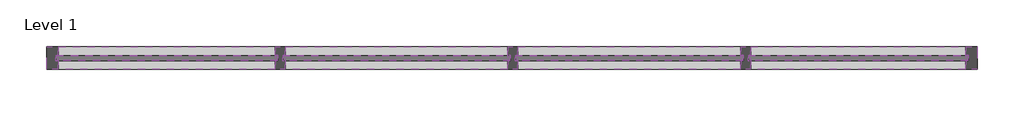
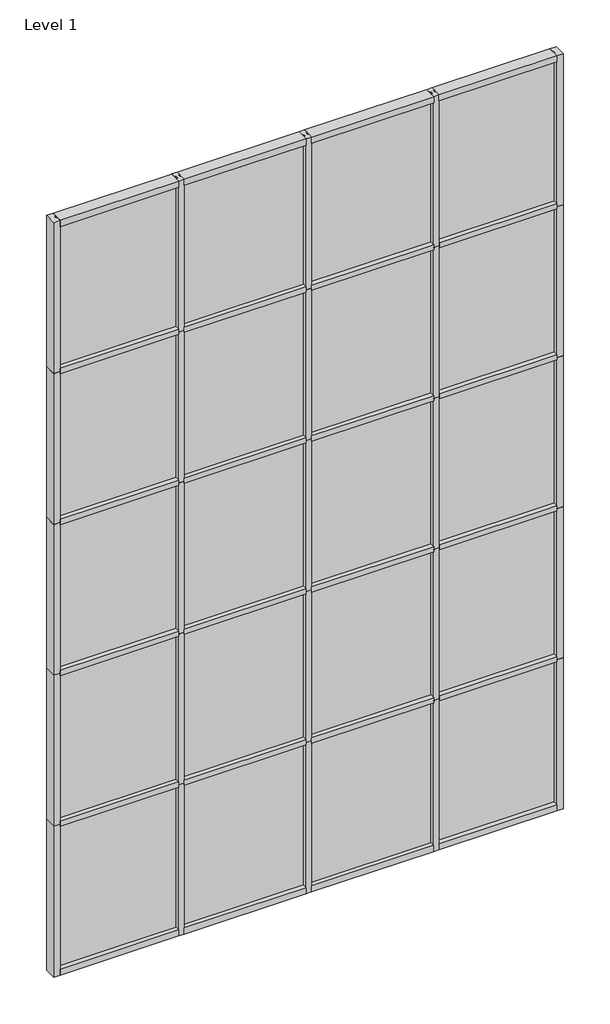
# One storey: 49 members, 20 plates.
"""IFC4 building model written with IfcOpenShell, lengths in millimetres."""

import ifcopenshell
import ifcopenshell.guid

model = None  # the IFC model being written
_history = None  # IfcOwnerHistory: only IFC2X3 demands one
_inside = {}  # id of a spatial element -> (the spatial element, [elements in it])
_under = {}  # id of a project, library or spatial element -> (it, [spatial elements below it])
_declared = {}  # id of a project -> (the project, [libraries it declares])
_typed = {}  # id of a type object -> (the type object, [elements of that type])
_made_of = {}  # id of a material, layer set ... -> (it, [elements and type objects made of it])


def new_model(schema):
    """Start an empty IFC model of exactly this schema.

    Asked for "IFC4X3", IfcOpenShell would pick the latest addendum, in which some entities
    have other attributes; the version numbers below select the first issue.
    IFC2X3 requires an IfcOwnerHistory on every rooted entity: one is made here for all.
    """
    global model, _history
    if schema == "IFC4X3":
        model = ifcopenshell.file(schema_version=(4, 3, 0, 0))
    else:
        model = ifcopenshell.file(schema=schema)
    _inside.clear()
    _under.clear()
    _declared.clear()
    _typed.clear()
    _made_of.clear()
    _history = None
    if model.schema == "IFC2X3":
        org = make("IfcOrganization", Name="unknown")
        user = make(
            "IfcPersonAndOrganization",
            ThePerson=make("IfcPerson", FamilyName="unknown"),
            TheOrganization=org,
        )
        app = make(
            "IfcApplication",
            ApplicationDeveloper=org,
            Version="unknown",
            ApplicationFullName="unknown",
            ApplicationIdentifier="unknown",
        )
        _history = make(
            "IfcOwnerHistory",
            OwningUser=user,
            OwningApplication=app,
            ChangeAction="ADDED",
            CreationDate=0,
        )
    return model


def make(cls, **values):
    """One entity of the class cls with the attributes given. An attribute that is None is left unset."""
    return model.create_entity(
        cls, **{name: value for name, value in values.items() if value is not None}
    )


def rooted(cls, **values):
    """An entity with a GlobalId (a new one), such as an element, a storey or a relation."""
    return make(cls, GlobalId=ifcopenshell.guid.new(), OwnerHistory=_history, **values)


def si_unit(unit_type, name, prefix=None):
    """IfcSIUnit, for example si_unit("LENGTHUNIT", "METRE", prefix="MILLI")."""
    return make("IfcSIUnit", UnitType=unit_type, Prefix=prefix, Name=name)


def assignment(units):
    """IfcUnitAssignment: the units of a project."""
    return None if units is None else make("IfcUnitAssignment", Units=units)


def point(xyz):
    """IfcCartesianPoint."""
    return None if xyz is None else make("IfcCartesianPoint", Coordinates=xyz)


def direction(xyz):
    """IfcDirection."""
    return None if xyz is None else make("IfcDirection", DirectionRatios=xyz)


def frame(location, z_axis=None, x_axis=None):
    """IfcAxis2Placement3D, a coordinate frame: its origin and axes. An axis left out is left unset."""
    return make(
        "IfcAxis2Placement3D",
        Location=point(location),
        Axis=direction(z_axis),
        RefDirection=direction(x_axis),
    )


def origin():
    """The frame at (0, 0, 0) with its axes left unset."""
    return frame((0.0, 0.0, 0.0))


def origin_with_axes():
    """The frame at (0, 0, 0) with the z axis (0, 0, 1) and the x axis (1, 0, 0) written out."""
    return frame((0.0, 0.0, 0.0), z_axis=(0.0, 0.0, 1.0), x_axis=(1.0, 0.0, 0.0))


def place(relative_to, where):
    """IfcLocalPlacement: puts the frame where relative to a parent placement (None: the world)."""
    return make(
        "IfcLocalPlacement", PlacementRelTo=relative_to, RelativePlacement=where
    )


def context(
    kind, dimensions, precision=None, world=None, true_north=None, identifier=None
):
    """IfcGeometricRepresentationContext, for example the 3D "Model" context."""
    return make(
        "IfcGeometricRepresentationContext",
        ContextIdentifier=identifier,
        ContextType=kind,
        CoordinateSpaceDimension=dimensions,
        Precision=precision,
        WorldCoordinateSystem=world,
        TrueNorth=true_north,
    )


def project(units=None, contexts=None):
    """IfcProject with its units and contexts."""
    return rooted(
        "IfcProject",
        Name="project",
        RepresentationContexts=contexts,
        UnitsInContext=assignment(units),
    )


def spatial(cls, under=None, at=None, **own):
    """A site, building, storey or space (cls), placed at a placement, below another one or the project."""
    s = rooted(cls, ObjectPlacement=at, **own)
    if under is not None:
        _under.setdefault(under.id(), (under, []))[1].append(s)
    return s


def polyline(points):
    """IfcPolyline through the points."""
    return make("IfcPolyline", Points=[point(p) for p in points])


def outline(outer, holes=None, kind="AREA"):
    """IfcArbitraryClosedProfileDef: a profile drawn as a closed curve; with holes, ...WithVoids."""
    if holes is None:
        return make("IfcArbitraryClosedProfileDef", ProfileType=kind, OuterCurve=outer)
    return make(
        "IfcArbitraryProfileDefWithVoids",
        ProfileType=kind,
        OuterCurve=outer,
        InnerCurves=holes,
    )


def extrude(swept, where, along, depth):
    """IfcExtrudedAreaSolid: the profile swept, set in the frame where, extruded along a direction by depth."""
    return make(
        "IfcExtrudedAreaSolid",
        SweptArea=swept,
        Position=where,
        ExtrudedDirection=direction(along),
        Depth=depth,
    )


def shape(context_of_items, identifier, shape_type, items):
    """IfcShapeRepresentation: the items that make up one representation, for example the "Body"."""
    return make(
        "IfcShapeRepresentation",
        ContextOfItems=context_of_items,
        RepresentationIdentifier=identifier,
        RepresentationType=shape_type,
        Items=items,
    )


def source(mapping_origin, context_of_items, identifier, shape_type, items):
    """IfcRepresentationMap: a shape defined once, which mapped items show again and again."""
    return make(
        "IfcRepresentationMap",
        MappingOrigin=mapping_origin,
        MappedRepresentation=shape(context_of_items, identifier, shape_type, items),
    )


def transform(
    local_origin,
    x_axis=None,
    y_axis=None,
    z_axis=None,
    scale=None,
    scale2=None,
    scale3=None,
    uniform=True,
):
    """IfcCartesianTransformationOperator3D, or its non-uniform kind. x_axis, y_axis, z_axis: its Axis1, 2, 3."""
    if uniform:
        return make(
            "IfcCartesianTransformationOperator3D",
            Axis1=direction(x_axis),
            Axis2=direction(y_axis),
            LocalOrigin=point(local_origin),
            Scale=scale,
            Axis3=direction(z_axis),
        )
    return make(
        "IfcCartesianTransformationOperator3DnonUniform",
        Axis1=direction(x_axis),
        Axis2=direction(y_axis),
        LocalOrigin=point(local_origin),
        Scale=scale,
        Axis3=direction(z_axis),
        Scale2=scale2,
        Scale3=scale3,
    )


def mapped(mapping_source, mapping_target):
    """IfcMappedItem: shows the shape of a source again, moved by a transform."""
    return make(
        "IfcMappedItem", MappingSource=mapping_source, MappingTarget=mapping_target
    )


def made_of(thing, what):
    """Note that an element or type object is made of a material, layer set ...; save() writes the relation."""
    if what is not None:
        _made_of.setdefault(what.id(), (what, []))[1].append(thing)
    return thing


def element(
    cls,
    number,
    at=None,
    inside=None,
    cuts=None,
    type_object=None,
    material=None,
    context=None,
    identifier="Body",
    shape_type=None,
    held_by="IfcProductDefinitionShape",
    body=None,
    shapes=None,
    **own,
):
    """One element of the class cls, such as IfcWall. Its Tag is "e" and its number.

    at: its placement. inside: the storey or other place that contains it. cuts: it is an
    opening in that element (IfcRelVoidsElement). A single representation is given by context,
    identifier, shape_type and body (its items); several are given by shapes. held_by: the class
    of the entity that holds the representations. save() writes the other relations.
    """
    e = rooted(cls, Tag="e%d" % number, ObjectPlacement=at, **own)
    if body is not None:
        shapes = [shape(context, identifier, shape_type, body)]
    if shapes is not None:
        e.Representation = make(held_by, Representations=shapes)
    if inside is not None:
        _inside.setdefault(inside.id(), (inside, []))[1].append(e)
    if cuts is not None:
        rooted(
            "IfcRelVoidsElement", RelatingBuildingElement=cuts, RelatedOpeningElement=e
        )
    if type_object is not None:
        _typed.setdefault(type_object.id(), (type_object, []))[1].append(e)
    return made_of(e, material)


def aggregate(whole, parts):
    """IfcRelAggregates: a whole, such as a stair, and the parts it consists of."""
    return rooted("IfcRelAggregates", RelatingObject=whole, RelatedObjects=parts)


def save(model, path):
    """Write the relations noted so far, then the file.

    IfcRelAggregates (storeys below a building ...), IfcRelContainedInSpatialStructure (elements
    in a storey), IfcRelDefinesByType, IfcRelAssociatesMaterial and IfcRelDeclares: one each for
    every whole, place, type object, material and project.
    """
    for whole, parts in _under.values():
        aggregate(whole, parts)
    for where, things in _inside.values():
        rooted(
            "IfcRelContainedInSpatialStructure",
            RelatedElements=things,
            RelatingStructure=where,
        )
    for kind, things in _typed.values():
        rooted("IfcRelDefinesByType", RelatedObjects=things, RelatingType=kind)
    for what, things in _made_of.values():
        rooted("IfcRelAssociatesMaterial", RelatedObjects=things, RelatingMaterial=what)
    for by, libraries in _declared.values():
        rooted("IfcRelDeclares", RelatingContext=by, RelatedDefinitions=libraries)
    model.write(path)


def rectangular_mullion_659be822(model_context):
    return source(origin(), model_context, "Body", "SweptSolid", [
        extrude(outline(polyline([(29.7344027, 57.15), (29.7344027, 12.7), (17.0326322, 12.7), (17.0326322, -12.7), (29.7344027, -12.7), (29.7344027, -57.15), (-21.0655973, -57.15), (-21.0655973, -12.7), (-8.3655973, -12.7), (-8.3655973, 12.7), (-21.0655973, 12.7), (-21.0655973, 57.15), (29.7344027, 57.15)])), frame((0.0, 0.0, -1478.28), z_axis=(0.0, 0.0, 1.0), x_axis=(1.0, 0.0, 0.0)), (0.0, 0.0, 1.0), 1478.28),
    ])


def rectangular_mullion_2065b168(model_context):
    return source(origin(), model_context, "Body", "SweptSolid", [
        extrude(outline(polyline([(-60.325, 57.15), (0.0, 57.15), (0.0, -57.15), (-60.325, -57.15), (-60.325, -12.7), (-47.6232296, -12.7), (-47.6232296, 12.7), (-60.325, 12.7), (-60.325, 57.15)])), frame((0.0, 0.0, -1478.28), z_axis=(0.0, 0.0, 1.0), x_axis=(1.0, 0.0, 0.0)), (0.0, 0.0, 1.0), 1478.28),
    ])


def rectangular_mullion_558d0196(model_context):
    return source(origin(), model_context, "Body", "SweptSolid", [
        extrude(outline(polyline([(-60.325, 57.15), (0.0, 57.15), (0.0, -57.15), (-60.325, -57.15), (-60.325, -12.7), (-41.275, -12.7), (-41.275, 12.7), (-60.325, 12.7), (-60.325, 57.15)])), frame((0.0, 0.0, -1130.3), z_axis=(0.0, 0.0, 1.0), x_axis=(1.0, 0.0, 0.0)), (0.0, 0.0, 1.0), 1130.3),
    ])


def rectangular_mullion_32929700(model_context):
    return source(origin(), model_context, "Body", "SweptSolid", [
        extrude(outline(polyline([(29.7344027, 57.6460938), (29.7344027, 12.7), (17.0326322, 12.7), (17.0326322, -12.7), (29.7344027, -12.7), (29.7344027, -56.6539062), (-21.0655973, -56.6539062), (-21.0655973, -12.7), (-8.3655973, -12.7), (-8.3655973, 12.7), (-21.0655973, 12.7), (-21.0655973, 57.6460938), (29.7344027, 57.6460938)])), frame((0.0, 0.0, -1130.3), z_axis=(0.0, 0.0, 1.0), x_axis=(1.0, 0.0, 0.0)), (0.0, 0.0, 1.0), 1130.3),
    ])


def rectangular_mullion_49db9d86(model_context):
    return source(origin(), model_context, "Body", "SweptSolid", [
        extrude(outline(polyline([(-60.325, 57.546875), (0.0, 57.546875), (0.0, -56.753125), (-60.325, -56.753125), (-60.325, -12.7), (-47.6232296, -12.7), (-47.6232296, 12.7), (-60.325, 12.7), (-60.325, 57.546875)])), frame((0.0, 0.0, -1130.3), z_axis=(0.0, 0.0, 1.0), x_axis=(1.0, 0.0, 0.0)), (0.0, 0.0, 1.0), 1130.3),
    ])


def rectangular_mullion_8e935ad6(model_context):
    return source(origin(), model_context, "Body", "SweptSolid", [
        extrude(outline(polyline([(-60.325, 57.546875), (0.0, 57.546875), (0.0, -56.753125), (-60.325, -56.753125), (-60.325, -12.7), (-47.6232296, -12.7), (-47.6232296, 12.7), (-60.325, 12.7), (-60.325, 57.546875)])), frame((0.0, 0.0, -1091.0405973), z_axis=(0.0, 0.0, 1.0), x_axis=(1.0, 0.0, 0.0)), (0.0, 0.0, 1.0), 1091.0405973),
    ])


def rectangular_mullion_e41775dd(model_context):
    return source(origin(), model_context, "Body", "SweptSolid", [
        extrude(outline(polyline([(-60.325, 57.15), (0.0, 57.15), (0.0, -57.15), (-60.325, -57.15), (-60.325, -12.7), (-41.275, -12.7), (-41.275, 12.7), (-60.325, 12.7), (-60.325, 57.15)])), frame((0.0, 0.0, -1091.0405973), z_axis=(0.0, 0.0, 1.0), x_axis=(1.0, 0.0, 0.0)), (0.0, 0.0, 1.0), 1091.0405973),
    ])


def rectangular_mullion_0331761f(model_context):
    return source(origin(), model_context, "Body", "SweptSolid", [
        extrude(outline(polyline([(29.7344027, 57.6460938), (29.7344027, 12.7), (17.0326322, 12.7), (17.0326322, -12.7), (29.7344027, -12.7), (29.7344027, -56.6539062), (-21.0655973, -56.6539062), (-21.0655973, -12.7), (-8.3655973, -12.7), (-8.3655973, 12.7), (-21.0655973, 12.7), (-21.0655973, 57.6460938), (29.7344027, 57.6460938)])), frame((0.0, 0.0, -1091.0405973), z_axis=(0.0, 0.0, 1.0), x_axis=(1.0, 0.0, 0.0)), (0.0, 0.0, 1.0), 1091.0405973),
    ])


def rectangular_mullion_9737b8d0(model_context):
    return source(origin(), model_context, "Body", "SweptSolid", [
        extrude(outline(polyline([(-60.325, 57.546875), (0.0, 57.546875), (0.0, -56.753125), (-60.325, -56.753125), (-60.325, -12.7), (-47.6232296, -12.7), (-47.6232296, 12.7), (-60.325, 12.7), (-60.325, 57.546875)])), frame((0.0, 0.0, -1099.7094027), z_axis=(0.0, 0.0, 1.0), x_axis=(1.0, 0.0, 0.0)), (0.0, 0.0, 1.0), 1099.7094027),
    ])


def rectangular_mullion_03764e8c(model_context):
    return source(origin(), model_context, "Body", "SweptSolid", [
        extrude(outline(polyline([(-60.325, 57.15), (0.0, 57.15), (0.0, -57.15), (-60.325, -57.15), (-60.325, -12.7), (-41.275, -12.7), (-41.275, 12.7), (-60.325, 12.7), (-60.325, 57.15)])), frame((0.0, 0.0, -1099.7094027), z_axis=(0.0, 0.0, 1.0), x_axis=(1.0, 0.0, 0.0)), (0.0, 0.0, 1.0), 1099.7094027),
    ])


def rectangular_mullion_38739092(model_context):
    return source(origin(), model_context, "Body", "SweptSolid", [
        extrude(outline(polyline([(29.7344027, 57.6460938), (29.7344027, 12.7), (17.0326322, 12.7), (17.0326322, -12.7), (29.7344027, -12.7), (29.7344027, -56.6539062), (-21.0655973, -56.6539062), (-21.0655973, -12.7), (-8.3655973, -12.7), (-8.3655973, 12.7), (-21.0655973, 12.7), (-21.0655973, 57.6460938), (29.7344027, 57.6460938)])), frame((0.0, 0.0, -1099.7094027), z_axis=(0.0, 0.0, 1.0), x_axis=(1.0, 0.0, 0.0)), (0.0, 0.0, 1.0), 1099.7094027),
    ])


def plate_1763b2c5(model_context):
    return source(origin(), model_context, "Body", "SweptSolid", [
        extrude(outline(polyline([(577.8508852, -12.7), (-577.8508852, -12.7), (-577.8508852, 12.7), (577.8508852, 12.7), (577.8508852, -12.7)])), origin_with_axes(), (0.0, 0.0, 1.0), 1452.8817704),
    ])


def plate_e52fc93d(model_context):
    return source(origin(), model_context, "Body", "SweptSolid", [
        extrude(outline(polyline([(558.2220691, -12.7), (-558.2220691, -12.7), (-558.2220691, 12.7), (558.2220691, 12.7), (558.2220691, -12.7)])), origin_with_axes(), (0.0, 0.0, 1.0), 1452.8817704),
    ])


def plate_d3c65a02(model_context):
    return source(origin(), model_context, "Body", "SweptSolid", [
        extrude(outline(polyline([(562.5555865, -12.7), (-562.5555865, -12.7), (-562.5555865, 12.7), (562.5555865, 12.7), (562.5555865, -12.7)])), origin_with_axes(), (0.0, 0.0, 1.0), 1452.8817704),
    ])


def plate_3c9ce6c8(model_context):
    return source(origin(), model_context, "Body", "SweptSolid", [
        extrude(outline(polyline([(562.5555865, -12.7), (-562.5555865, -12.7), (-562.5555865, 12.7), (562.5555865, 12.7), (562.5555865, -12.7)])), origin_with_axes(), (0.0, 0.0, 1.0), 1413.6241382),
    ])


def plate_c60d8af6(model_context):
    return source(origin(), model_context, "Body", "SweptSolid", [
        extrude(outline(polyline([(577.8508852, -12.7), (-577.8508852, -12.7), (-577.8508852, 12.7), (577.8508852, 12.7), (577.8508852, -12.7)])), origin_with_axes(), (0.0, 0.0, 1.0), 1413.6241382),
    ])


def plate_8eeeacd3(model_context):
    return source(origin(), model_context, "Body", "SweptSolid", [
        extrude(outline(polyline([(558.2220691, -12.7), (-558.2220691, -12.7), (-558.2220691, 12.7), (558.2220691, 12.7), (558.2220691, -12.7)])), origin_with_axes(), (0.0, 0.0, 1.0), 1413.6241382),
    ])


def plate_ba38b3fa(model_context):
    return source(origin(), model_context, "Body", "SweptSolid", [
        extrude(outline(polyline([(562.5555865, -12.7), (-562.5555865, -12.7), (-562.5555865, 12.7), (562.5555865, 12.7), (562.5555865, -12.7)])), origin_with_axes(), (0.0, 0.0, 1.0), 1428.6394027),
    ])


def plate_6bd5928b(model_context):
    return source(origin(), model_context, "Body", "SweptSolid", [
        extrude(outline(polyline([(577.8508852, -12.7), (-577.8508852, -12.7), (-577.8508852, 12.7), (577.8508852, 12.7), (577.8508852, -12.7)])), origin_with_axes(), (0.0, 0.0, 1.0), 1428.6394027),
    ])


def plate_b905328e(model_context):
    return source(origin(), model_context, "Body", "SweptSolid", [
        extrude(outline(polyline([(558.2220691, -12.7), (-558.2220691, -12.7), (-558.2220691, 12.7), (558.2220691, 12.7), (558.2220691, -12.7)])), origin_with_axes(), (0.0, 0.0, 1.0), 1428.6394027),
    ])


model = new_model("IFC4")

# Units and contexts
model_context = context("Model", 3, world=origin())
ifc_project = project(units=[si_unit("LENGTHUNIT", "METRE", prefix="MILLI")], contexts=[model_context])

# Site, building, storey
site = spatial("IfcSite", under=ifc_project)
building = spatial("IfcBuilding", under=site)
storey = spatial("IfcBuildingStorey", under=building, Name="Level 1", Elevation=0.0)

# Members
placement = place(None, origin())
rectangular_mullion_shape = rectangular_mullion_659be822(model_context)
element("IfcMember", 1, ObjectType="Rectangular Mullion", at=placement, inside=storey, context=model_context, shape_type="MappedRepresentation", body=[
    mapped(rectangular_mullion_shape, transform((4622.0882675, 4173.5366393, 0.0), x_axis=(1.0, 0.0, 0.0), y_axis=(0.0, -1.0, 0.0), z_axis=(0.0, 0.0, -1.0))),
])
element("IfcMember", 2, ObjectType="Rectangular Mullion", at=placement, inside=storey, context=model_context, shape_type="MappedRepresentation", body=[
    mapped(rectangular_mullion_shape, transform((5803.1882675, 4173.5366393, 0.0), x_axis=(1.0, 0.0, 0.0), y_axis=(0.0, -1.0, 0.0), z_axis=(0.0, 0.0, -1.0))),
])
element("IfcMember", 3, ObjectType="Rectangular Mullion", at=placement, inside=storey, context=model_context, shape_type="MappedRepresentation", body=[
    mapped(rectangular_mullion_shape, transform((6984.2882675, 4173.5366393, 0.0), x_axis=(1.0, 0.0, 0.0), y_axis=(0.0, -1.0, 0.0), z_axis=(0.0, 0.0, -1.0))),
])
element("IfcMember", 4, ObjectType="Rectangular Mullion", at=placement, inside=storey, context=model_context, shape_type="MappedRepresentation", body=[
    mapped(rectangular_mullion_shape, transform((4622.0882675, 4173.5366393, 1478.28), x_axis=(1.0, 0.0, 0.0), y_axis=(0.0, -1.0, 0.0), z_axis=(0.0, 0.0, -1.0))),
])
element("IfcMember", 5, ObjectType="Rectangular Mullion", at=placement, inside=storey, context=model_context, shape_type="MappedRepresentation", body=[
    mapped(rectangular_mullion_shape, transform((5803.1882675, 4173.5366393, 1478.28), x_axis=(1.0, 0.0, 0.0), y_axis=(0.0, -1.0, 0.0), z_axis=(0.0, 0.0, -1.0))),
])
element("IfcMember", 6, ObjectType="Rectangular Mullion", at=placement, inside=storey, context=model_context, shape_type="MappedRepresentation", body=[
    mapped(rectangular_mullion_shape, transform((4622.0882675, 4173.5366393, 2956.56), x_axis=(1.0, 0.0, 0.0), y_axis=(0.0, -1.0, 0.0), z_axis=(0.0, 0.0, -1.0))),
])
element("IfcMember", 7, ObjectType="Rectangular Mullion", at=placement, inside=storey, context=model_context, shape_type="MappedRepresentation", body=[
    mapped(rectangular_mullion_shape, transform((5803.1882675, 4173.5366393, 2956.56), x_axis=(1.0, 0.0, 0.0), y_axis=(0.0, -1.0, 0.0), z_axis=(0.0, 0.0, -1.0))),
])
element("IfcMember", 8, ObjectType="Rectangular Mullion", at=placement, inside=storey, context=model_context, shape_type="MappedRepresentation", body=[
    mapped(rectangular_mullion_shape, transform((4622.0882675, 4173.5366393, 4434.84), x_axis=(1.0, 0.0, 0.0), y_axis=(0.0, -1.0, 0.0), z_axis=(0.0, 0.0, -1.0))),
])
element("IfcMember", 9, ObjectType="Rectangular Mullion", at=placement, inside=storey, context=model_context, shape_type="MappedRepresentation", body=[
    mapped(rectangular_mullion_shape, transform((5803.1882675, 4173.5366393, 4434.84), x_axis=(1.0, 0.0, 0.0), y_axis=(0.0, -1.0, 0.0), z_axis=(0.0, 0.0, -1.0))),
])
element("IfcMember", 10, ObjectType="Rectangular Mullion", at=placement, inside=storey, context=model_context, shape_type="MappedRepresentation", body=[
    mapped(rectangular_mullion_shape, transform((6984.2882675, 4173.5366393, 1478.28), x_axis=(1.0, 0.0, 0.0), y_axis=(0.0, -1.0, 0.0), z_axis=(0.0, 0.0, -1.0))),
])
element("IfcMember", 11, ObjectType="Rectangular Mullion", at=placement, inside=storey, context=model_context, shape_type="MappedRepresentation", body=[
    mapped(rectangular_mullion_shape, transform((6984.2882675, 4173.5366393, 2956.56), x_axis=(1.0, 0.0, 0.0), y_axis=(0.0, -1.0, 0.0), z_axis=(0.0, 0.0, -1.0))),
])
element("IfcMember", 12, ObjectType="Rectangular Mullion", at=placement, inside=storey, context=model_context, shape_type="MappedRepresentation", body=[
    mapped(rectangular_mullion_shape, transform((6984.2882675, 4173.5366393, 4434.84), x_axis=(1.0, 0.0, 0.0), y_axis=(0.0, -1.0, 0.0), z_axis=(0.0, 0.0, -1.0))),
])
rectangular_mullion_2_shape = rectangular_mullion_2065b168(model_context)
element("IfcMember", 13, ObjectType="Rectangular Mullion", at=placement, inside=storey, context=model_context, shape_type="MappedRepresentation", body=[
    mapped(rectangular_mullion_2_shape, transform((8165.3882675, 4173.5366393, 0.0), x_axis=(1.0, 0.0, 0.0), y_axis=(0.0, -1.0, 0.0), z_axis=(0.0, 0.0, -1.0))),
])
element("IfcMember", 14, ObjectType="Rectangular Mullion", at=placement, inside=storey, context=model_context, shape_type="MappedRepresentation", body=[
    mapped(rectangular_mullion_2_shape, transform((8165.3882675, 4173.5366393, 1478.28), x_axis=(1.0, 0.0, 0.0), y_axis=(0.0, -1.0, 0.0), z_axis=(0.0, 0.0, -1.0))),
])
element("IfcMember", 15, ObjectType="Rectangular Mullion", at=placement, inside=storey, context=model_context, shape_type="MappedRepresentation", body=[
    mapped(rectangular_mullion_2_shape, transform((8165.3882675, 4173.5366393, 2956.56), x_axis=(1.0, 0.0, 0.0), y_axis=(0.0, -1.0, 0.0), z_axis=(0.0, 0.0, -1.0))),
])
element("IfcMember", 16, ObjectType="Rectangular Mullion", at=placement, inside=storey, context=model_context, shape_type="MappedRepresentation", body=[
    mapped(rectangular_mullion_2_shape, transform((8165.3882675, 4173.5366393, 4434.84), x_axis=(1.0, 0.0, 0.0), y_axis=(0.0, -1.0, 0.0), z_axis=(0.0, 0.0, -1.0))),
])
element("IfcMember", 17, ObjectType="Rectangular Mullion", at=placement, inside=storey, context=model_context, shape_type="MappedRepresentation", body=[
    mapped(rectangular_mullion_2_shape, transform((3440.9882675, 4173.5366393, 1478.28), x_axis=(-1.0, 0.0, 0.0), y_axis=(0.0, -1.0, 0.0), z_axis=(0.0, 0.0, 1.0))),
])
element("IfcMember", 18, ObjectType="Rectangular Mullion", at=placement, inside=storey, context=model_context, shape_type="MappedRepresentation", body=[
    mapped(rectangular_mullion_2_shape, transform((3440.9882675, 4173.5366393, 2956.56), x_axis=(-1.0, 0.0, 0.0), y_axis=(0.0, -1.0, 0.0), z_axis=(0.0, 0.0, 1.0))),
])
element("IfcMember", 19, ObjectType="Rectangular Mullion", at=placement, inside=storey, context=model_context, shape_type="MappedRepresentation", body=[
    mapped(rectangular_mullion_2_shape, transform((3440.9882675, 4173.5366393, 4434.84), x_axis=(-1.0, 0.0, 0.0), y_axis=(0.0, -1.0, 0.0), z_axis=(0.0, 0.0, 1.0))),
])
element("IfcMember", 20, ObjectType="Rectangular Mullion", at=placement, inside=storey, context=model_context, shape_type="MappedRepresentation", body=[
    mapped(rectangular_mullion_2_shape, transform((3440.9882675, 4173.5366393, 5913.12), x_axis=(-1.0, 0.0, 0.0), y_axis=(0.0, -1.0, 0.0), z_axis=(0.0, 0.0, 1.0))),
])
element("IfcMember", 21, ObjectType="Rectangular Mullion", at=placement, inside=storey, context=model_context, shape_type="MappedRepresentation", body=[
    mapped(rectangular_mullion_shape, transform((4622.0882675, 4173.5366393, 5913.12), x_axis=(1.0, 0.0, 0.0), y_axis=(0.0, -1.0, 0.0), z_axis=(0.0, 0.0, -1.0))),
])
element("IfcMember", 22, ObjectType="Rectangular Mullion", at=placement, inside=storey, context=model_context, shape_type="MappedRepresentation", body=[
    mapped(rectangular_mullion_shape, transform((5803.1882675, 4173.5366393, 5913.12), x_axis=(1.0, 0.0, 0.0), y_axis=(0.0, -1.0, 0.0), z_axis=(0.0, 0.0, -1.0))),
])
element("IfcMember", 23, ObjectType="Rectangular Mullion", at=placement, inside=storey, context=model_context, shape_type="MappedRepresentation", body=[
    mapped(rectangular_mullion_shape, transform((6984.2882675, 4173.5366393, 5913.12), x_axis=(1.0, 0.0, 0.0), y_axis=(0.0, -1.0, 0.0), z_axis=(0.0, 0.0, -1.0))),
])
element("IfcMember", 24, ObjectType="Rectangular Mullion", at=placement, inside=storey, context=model_context, shape_type="MappedRepresentation", body=[
    mapped(rectangular_mullion_2_shape, transform((3440.9882675, 4173.5366393, 7391.4), x_axis=(-1.0, 0.0, 0.0), y_axis=(0.0, -1.0, 0.0), z_axis=(0.0, 0.0, 1.0))),
])
element("IfcMember", 25, ObjectType="Rectangular Mullion", at=placement, inside=storey, context=model_context, shape_type="MappedRepresentation", body=[
    mapped(rectangular_mullion_2_shape, transform((8165.3882675, 4173.5366393, 5913.12), x_axis=(1.0, 0.0, 0.0), y_axis=(0.0, -1.0, 0.0), z_axis=(0.0, 0.0, -1.0))),
])
rectangular_mullion_3_shape = rectangular_mullion_558d0196(model_context)
element("IfcMember", 26, ObjectType="Rectangular Mullion", at=placement, inside=storey, context=model_context, shape_type="MappedRepresentation", body=[
    mapped(rectangular_mullion_3_shape, transform((4651.8226702, 4173.5366393, 0.0), x_axis=(0.0, 0.0, -1.0), y_axis=(0.0, -1.0, 0.0), z_axis=(-1.0, 0.0, 0.0))),
])
element("IfcMember", 27, ObjectType="Rectangular Mullion", at=placement, inside=storey, context=model_context, shape_type="MappedRepresentation", body=[
    mapped(rectangular_mullion_3_shape, transform((5832.9226702, 4173.5366393, 0.0), x_axis=(0.0, 0.0, -1.0), y_axis=(0.0, -1.0, 0.0), z_axis=(-1.0, 0.0, 0.0))),
])
rectangular_mullion_4_shape = rectangular_mullion_32929700(model_context)
element("IfcMember", 28, ObjectType="Rectangular Mullion", at=placement, inside=storey, context=model_context, shape_type="MappedRepresentation", body=[
    mapped(rectangular_mullion_4_shape, transform((5782.1226702, 4173.5366393, 1478.28), x_axis=(0.0, 0.0, 1.0), y_axis=(0.0, -1.0, 0.0), z_axis=(1.0, 0.0, 0.0))),
])
element("IfcMember", 29, ObjectType="Rectangular Mullion", at=placement, inside=storey, context=model_context, shape_type="MappedRepresentation", body=[
    mapped(rectangular_mullion_4_shape, transform((6963.2226702, 4173.5366393, 1478.28), x_axis=(0.0, 0.0, 1.0), y_axis=(0.0, -1.0, 0.0), z_axis=(1.0, 0.0, 0.0))),
])
element("IfcMember", 30, ObjectType="Rectangular Mullion", at=placement, inside=storey, context=model_context, shape_type="MappedRepresentation", body=[
    mapped(rectangular_mullion_4_shape, transform((5782.1226702, 4173.5366393, 2956.56), x_axis=(0.0, 0.0, 1.0), y_axis=(0.0, -1.0, 0.0), z_axis=(1.0, 0.0, 0.0))),
])
element("IfcMember", 31, ObjectType="Rectangular Mullion", at=placement, inside=storey, context=model_context, shape_type="MappedRepresentation", body=[
    mapped(rectangular_mullion_4_shape, transform((6963.2226702, 4173.5366393, 2956.56), x_axis=(0.0, 0.0, 1.0), y_axis=(0.0, -1.0, 0.0), z_axis=(1.0, 0.0, 0.0))),
])
element("IfcMember", 32, ObjectType="Rectangular Mullion", at=placement, inside=storey, context=model_context, shape_type="MappedRepresentation", body=[
    mapped(rectangular_mullion_4_shape, transform((5782.1226702, 4173.5366393, 4434.84), x_axis=(0.0, 0.0, 1.0), y_axis=(0.0, -1.0, 0.0), z_axis=(1.0, 0.0, 0.0))),
])
element("IfcMember", 33, ObjectType="Rectangular Mullion", at=placement, inside=storey, context=model_context, shape_type="MappedRepresentation", body=[
    mapped(rectangular_mullion_4_shape, transform((6963.2226702, 4173.5366393, 4434.84), x_axis=(0.0, 0.0, 1.0), y_axis=(0.0, -1.0, 0.0), z_axis=(1.0, 0.0, 0.0))),
])
element("IfcMember", 34, ObjectType="Rectangular Mullion", at=placement, inside=storey, context=model_context, shape_type="MappedRepresentation", body=[
    mapped(rectangular_mullion_4_shape, transform((5782.1226702, 4173.5366393, 5913.12), x_axis=(0.0, 0.0, 1.0), y_axis=(0.0, -1.0, 0.0), z_axis=(1.0, 0.0, 0.0))),
])
element("IfcMember", 35, ObjectType="Rectangular Mullion", at=placement, inside=storey, context=model_context, shape_type="MappedRepresentation", body=[
    mapped(rectangular_mullion_4_shape, transform((6963.2226702, 4173.5366393, 5913.12), x_axis=(0.0, 0.0, 1.0), y_axis=(0.0, -1.0, 0.0), z_axis=(1.0, 0.0, 0.0))),
])
rectangular_mullion_5_shape = rectangular_mullion_49db9d86(model_context)
element("IfcMember", 36, ObjectType="Rectangular Mullion", at=placement, inside=storey, context=model_context, shape_type="MappedRepresentation", body=[
    mapped(rectangular_mullion_5_shape, transform((5782.1226702, 4173.5366393, 7391.4), x_axis=(0.0, 0.0, 1.0), y_axis=(0.0, -1.0, 0.0), z_axis=(1.0, 0.0, 0.0))),
])
element("IfcMember", 37, ObjectType="Rectangular Mullion", at=placement, inside=storey, context=model_context, shape_type="MappedRepresentation", body=[
    mapped(rectangular_mullion_5_shape, transform((6963.2226702, 4173.5366393, 7391.4), x_axis=(0.0, 0.0, 1.0), y_axis=(0.0, -1.0, 0.0), z_axis=(1.0, 0.0, 0.0))),
])
rectangular_mullion_6_shape = rectangular_mullion_8e935ad6(model_context)
element("IfcMember", 38, ObjectType="Rectangular Mullion", at=placement, inside=storey, context=model_context, shape_type="MappedRepresentation", body=[
    mapped(rectangular_mullion_6_shape, transform((8105.0632675, 4173.5366393, 7391.4), x_axis=(0.0, 0.0, 1.0), y_axis=(0.0, -1.0, 0.0), z_axis=(1.0, 0.0, 0.0))),
])
rectangular_mullion_7_shape = rectangular_mullion_e41775dd(model_context)
element("IfcMember", 39, ObjectType="Rectangular Mullion", at=placement, inside=storey, context=model_context, shape_type="MappedRepresentation", body=[
    mapped(rectangular_mullion_7_shape, transform((7014.0226702, 4173.5366393, 0.0), x_axis=(0.0, 0.0, -1.0), y_axis=(0.0, -1.0, 0.0), z_axis=(-1.0, 0.0, 0.0))),
])
rectangular_mullion_8_shape = rectangular_mullion_0331761f(model_context)
element("IfcMember", 40, ObjectType="Rectangular Mullion", at=placement, inside=storey, context=model_context, shape_type="MappedRepresentation", body=[
    mapped(rectangular_mullion_8_shape, transform((8105.0632675, 4173.5366393, 1478.28), x_axis=(0.0, 0.0, 1.0), y_axis=(0.0, -1.0, 0.0), z_axis=(1.0, 0.0, 0.0))),
])
element("IfcMember", 41, ObjectType="Rectangular Mullion", at=placement, inside=storey, context=model_context, shape_type="MappedRepresentation", body=[
    mapped(rectangular_mullion_8_shape, transform((8105.0632675, 4173.5366393, 2956.56), x_axis=(0.0, 0.0, 1.0), y_axis=(0.0, -1.0, 0.0), z_axis=(1.0, 0.0, 0.0))),
])
element("IfcMember", 42, ObjectType="Rectangular Mullion", at=placement, inside=storey, context=model_context, shape_type="MappedRepresentation", body=[
    mapped(rectangular_mullion_8_shape, transform((8105.0632675, 4173.5366393, 4434.84), x_axis=(0.0, 0.0, 1.0), y_axis=(0.0, -1.0, 0.0), z_axis=(1.0, 0.0, 0.0))),
])
element("IfcMember", 43, ObjectType="Rectangular Mullion", at=placement, inside=storey, context=model_context, shape_type="MappedRepresentation", body=[
    mapped(rectangular_mullion_8_shape, transform((8105.0632675, 4173.5366393, 5913.12), x_axis=(0.0, 0.0, 1.0), y_axis=(0.0, -1.0, 0.0), z_axis=(1.0, 0.0, 0.0))),
])
rectangular_mullion_9_shape = rectangular_mullion_9737b8d0(model_context)
element("IfcMember", 44, ObjectType="Rectangular Mullion", at=placement, inside=storey, context=model_context, shape_type="MappedRepresentation", body=[
    mapped(rectangular_mullion_9_shape, transform((4601.0226702, 4173.5366393, 7391.4), x_axis=(0.0, 0.0, 1.0), y_axis=(0.0, -1.0, 0.0), z_axis=(1.0, 0.0, 0.0))),
])
rectangular_mullion_10_shape = rectangular_mullion_03764e8c(model_context)
element("IfcMember", 45, ObjectType="Rectangular Mullion", at=placement, inside=storey, context=model_context, shape_type="MappedRepresentation", body=[
    mapped(rectangular_mullion_10_shape, transform((3501.3132675, 4173.5366393, 0.0), x_axis=(0.0, 0.0, -1.0), y_axis=(0.0, -1.0, 0.0), z_axis=(-1.0, 0.0, 0.0))),
])
rectangular_mullion_11_shape = rectangular_mullion_38739092(model_context)
element("IfcMember", 46, ObjectType="Rectangular Mullion", at=placement, inside=storey, context=model_context, shape_type="MappedRepresentation", body=[
    mapped(rectangular_mullion_11_shape, transform((4601.0226702, 4173.5366393, 1478.28), x_axis=(0.0, 0.0, 1.0), y_axis=(0.0, -1.0, 0.0), z_axis=(1.0, 0.0, 0.0))),
])
element("IfcMember", 47, ObjectType="Rectangular Mullion", at=placement, inside=storey, context=model_context, shape_type="MappedRepresentation", body=[
    mapped(rectangular_mullion_11_shape, transform((4601.0226702, 4173.5366393, 2956.56), x_axis=(0.0, 0.0, 1.0), y_axis=(0.0, -1.0, 0.0), z_axis=(1.0, 0.0, 0.0))),
])
element("IfcMember", 48, ObjectType="Rectangular Mullion", at=placement, inside=storey, context=model_context, shape_type="MappedRepresentation", body=[
    mapped(rectangular_mullion_11_shape, transform((4601.0226702, 4173.5366393, 4434.84), x_axis=(0.0, 0.0, 1.0), y_axis=(0.0, -1.0, 0.0), z_axis=(1.0, 0.0, 0.0))),
])
element("IfcMember", 49, ObjectType="Rectangular Mullion", at=placement, inside=storey, context=model_context, shape_type="MappedRepresentation", body=[
    mapped(rectangular_mullion_11_shape, transform((4601.0226702, 4173.5366393, 5913.12), x_axis=(0.0, 0.0, 1.0), y_axis=(0.0, -1.0, 0.0), z_axis=(1.0, 0.0, 0.0))),
])

# Plates
plate_shape = plate_1763b2c5(model_context)
element("IfcPlate", 50, ObjectType="System Panel : 1\" Glass Solid", at=placement, inside=storey, context=model_context, shape_type="MappedRepresentation", body=[
    mapped(plate_shape, transform((5216.971785, 4173.5366393, 1495.3126322), x_axis=(1.0, 0.0, 0.0), y_axis=(0.0, 1.0, 0.0), z_axis=(0.0, 0.0, 1.0))),
])
element("IfcPlate", 51, ObjectType="System Panel : 1\" Glass Solid", at=placement, inside=storey, context=model_context, shape_type="MappedRepresentation", body=[
    mapped(plate_shape, transform((6398.071785, 4173.5366393, 1495.3126322), x_axis=(1.0, 0.0, 0.0), y_axis=(0.0, 1.0, 0.0), z_axis=(0.0, 0.0, 1.0))),
])
element("IfcPlate", 52, ObjectType="System Panel : 1\" Glass Solid", at=placement, inside=storey, context=model_context, shape_type="MappedRepresentation", body=[
    mapped(plate_shape, transform((5216.971785, 4173.5366393, 2973.5926322), x_axis=(1.0, 0.0, 0.0), y_axis=(0.0, 1.0, 0.0), z_axis=(0.0, 0.0, 1.0))),
])
element("IfcPlate", 53, ObjectType="System Panel : 1\" Glass Solid", at=placement, inside=storey, context=model_context, shape_type="MappedRepresentation", body=[
    mapped(plate_shape, transform((6398.071785, 4173.5366393, 2973.5926322), x_axis=(1.0, 0.0, 0.0), y_axis=(0.0, 1.0, 0.0), z_axis=(0.0, 0.0, 1.0))),
])
element("IfcPlate", 54, ObjectType="System Panel : 1\" Glass Solid", at=placement, inside=storey, context=model_context, shape_type="MappedRepresentation", body=[
    mapped(plate_shape, transform((5216.971785, 4173.5366393, 4451.8726322), x_axis=(1.0, 0.0, 0.0), y_axis=(0.0, 1.0, 0.0), z_axis=(0.0, 0.0, 1.0))),
])
element("IfcPlate", 55, ObjectType="System Panel : 1\" Glass Solid", at=placement, inside=storey, context=model_context, shape_type="MappedRepresentation", body=[
    mapped(plate_shape, transform((6398.071785, 4173.5366393, 4451.8726322), x_axis=(1.0, 0.0, 0.0), y_axis=(0.0, 1.0, 0.0), z_axis=(0.0, 0.0, 1.0))),
])
plate_2_shape = plate_e52fc93d(model_context)
element("IfcPlate", 56, ObjectType="System Panel : 1\" Glass Solid", at=placement, inside=storey, context=model_context, shape_type="MappedRepresentation", body=[
    mapped(plate_2_shape, transform((7559.5429689, 4173.5366393, 1495.3126322), x_axis=(1.0, 0.0, 0.0), y_axis=(0.0, 1.0, 0.0), z_axis=(0.0, 0.0, 1.0))),
])
element("IfcPlate", 57, ObjectType="System Panel : 1\" Glass Solid", at=placement, inside=storey, context=model_context, shape_type="MappedRepresentation", body=[
    mapped(plate_2_shape, transform((7559.5429689, 4173.5366393, 2973.5926322), x_axis=(1.0, 0.0, 0.0), y_axis=(0.0, 1.0, 0.0), z_axis=(0.0, 0.0, 1.0))),
])
element("IfcPlate", 58, ObjectType="System Panel : 1\" Glass Solid", at=placement, inside=storey, context=model_context, shape_type="MappedRepresentation", body=[
    mapped(plate_2_shape, transform((7559.5429689, 4173.5366393, 4451.8726322), x_axis=(1.0, 0.0, 0.0), y_axis=(0.0, 1.0, 0.0), z_axis=(0.0, 0.0, 1.0))),
])
plate_3_shape = plate_d3c65a02(model_context)
element("IfcPlate", 59, ObjectType="System Panel : 1\" Glass Solid", at=placement, inside=storey, context=model_context, shape_type="MappedRepresentation", body=[
    mapped(plate_3_shape, transform((4051.1670837, 4173.5366393, 1495.3126322), x_axis=(1.0, 0.0, 0.0), y_axis=(0.0, 1.0, 0.0), z_axis=(0.0, 0.0, 1.0))),
])
element("IfcPlate", 60, ObjectType="System Panel : 1\" Glass Solid", at=placement, inside=storey, context=model_context, shape_type="MappedRepresentation", body=[
    mapped(plate_3_shape, transform((4051.1670837, 4173.5366393, 2973.5926322), x_axis=(1.0, 0.0, 0.0), y_axis=(0.0, 1.0, 0.0), z_axis=(0.0, 0.0, 1.0))),
])
element("IfcPlate", 61, ObjectType="System Panel : 1\" Glass Solid", at=placement, inside=storey, context=model_context, shape_type="MappedRepresentation", body=[
    mapped(plate_3_shape, transform((4051.1670837, 4173.5366393, 4451.8726322), x_axis=(1.0, 0.0, 0.0), y_axis=(0.0, 1.0, 0.0), z_axis=(0.0, 0.0, 1.0))),
])
plate_4_shape = plate_3c9ce6c8(model_context)
element("IfcPlate", 62, ObjectType="System Panel : 1\" Glass Solid", at=placement, inside=storey, context=model_context, shape_type="MappedRepresentation", body=[
    mapped(plate_4_shape, transform((4051.1670837, 4173.5366393, 5930.1526322), x_axis=(1.0, 0.0, 0.0), y_axis=(0.0, 1.0, 0.0), z_axis=(0.0, 0.0, 1.0))),
])
plate_5_shape = plate_c60d8af6(model_context)
element("IfcPlate", 63, ObjectType="System Panel : 1\" Glass Solid", at=placement, inside=storey, context=model_context, shape_type="MappedRepresentation", body=[
    mapped(plate_5_shape, transform((5216.971785, 4173.5366393, 5930.1526322), x_axis=(1.0, 0.0, 0.0), y_axis=(0.0, 1.0, 0.0), z_axis=(0.0, 0.0, 1.0))),
])
element("IfcPlate", 64, ObjectType="System Panel : 1\" Glass Solid", at=placement, inside=storey, context=model_context, shape_type="MappedRepresentation", body=[
    mapped(plate_5_shape, transform((6398.071785, 4173.5366393, 5930.1526322), x_axis=(1.0, 0.0, 0.0), y_axis=(0.0, 1.0, 0.0), z_axis=(0.0, 0.0, 1.0))),
])
plate_6_shape = plate_8eeeacd3(model_context)
element("IfcPlate", 65, ObjectType="System Panel : 1\" Glass Solid", at=placement, inside=storey, context=model_context, shape_type="MappedRepresentation", body=[
    mapped(plate_6_shape, transform((7559.5429689, 4173.5366393, 5930.1526322), x_axis=(1.0, 0.0, 0.0), y_axis=(0.0, 1.0, 0.0), z_axis=(0.0, 0.0, 1.0))),
])
plate_7_shape = plate_ba38b3fa(model_context)
element("IfcPlate", 66, ObjectType="System Panel : 1\" Glass Solid", at=placement, inside=storey, context=model_context, shape_type="MappedRepresentation", body=[
    mapped(plate_7_shape, transform((4051.1670837, 4173.5366393, 41.275), x_axis=(1.0, 0.0, 0.0), y_axis=(0.0, 1.0, 0.0), z_axis=(0.0, 0.0, 1.0))),
])
plate_8_shape = plate_6bd5928b(model_context)
element("IfcPlate", 67, ObjectType="System Panel : 1\" Glass Solid", at=placement, inside=storey, context=model_context, shape_type="MappedRepresentation", body=[
    mapped(plate_8_shape, transform((5216.971785, 4173.5366393, 41.275), x_axis=(1.0, 0.0, 0.0), y_axis=(0.0, 1.0, 0.0), z_axis=(0.0, 0.0, 1.0))),
])
element("IfcPlate", 68, ObjectType="System Panel : 1\" Glass Solid", at=placement, inside=storey, context=model_context, shape_type="MappedRepresentation", body=[
    mapped(plate_8_shape, transform((6398.071785, 4173.5366393, 41.275), x_axis=(1.0, 0.0, 0.0), y_axis=(0.0, 1.0, 0.0), z_axis=(0.0, 0.0, 1.0))),
])
plate_9_shape = plate_b905328e(model_context)
element("IfcPlate", 69, ObjectType="System Panel : 1\" Glass Solid", at=placement, inside=storey, context=model_context, shape_type="MappedRepresentation", body=[
    mapped(plate_9_shape, transform((7559.5429689, 4173.5366393, 41.275), x_axis=(1.0, 0.0, 0.0), y_axis=(0.0, 1.0, 0.0), z_axis=(0.0, 0.0, 1.0))),
])

save(model, "model.ifc")
